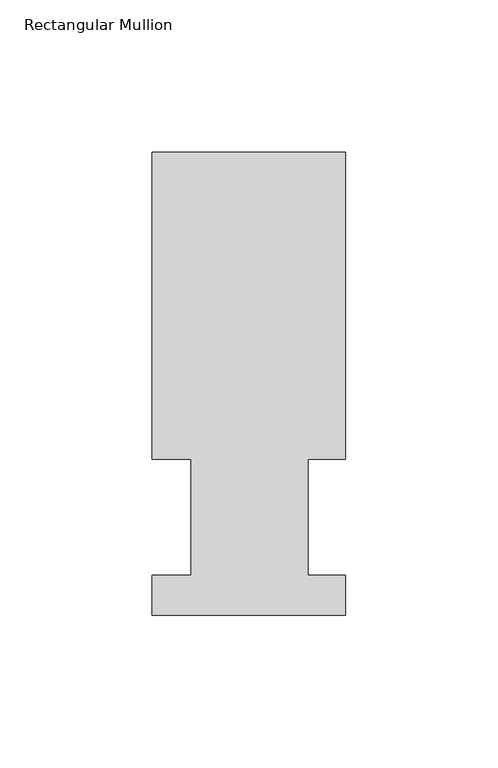
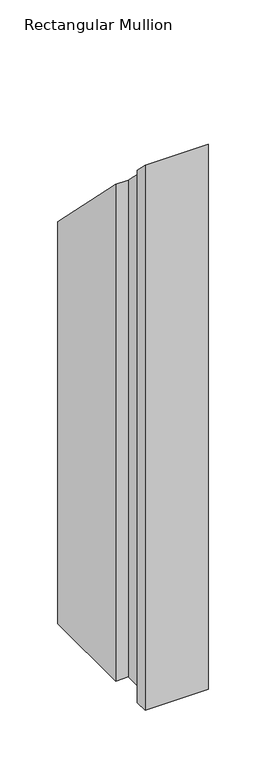
"""IFC4 building model written with IfcOpenShell, lengths in millimetres: member geometry, Rectangular Mullion."""

import ifcopenshell
import ifcopenshell.guid

model = None  # the IFC model being written
_history = None  # IfcOwnerHistory: only IFC2X3 demands one
_inside = {}  # id of a spatial element -> (the spatial element, [elements in it])
_under = {}  # id of a project, library or spatial element -> (it, [spatial elements below it])
_declared = {}  # id of a project -> (the project, [libraries it declares])
_typed = {}  # id of a type object -> (the type object, [elements of that type])
_made_of = {}  # id of a material, layer set ... -> (it, [elements and type objects made of it])


def new_model(schema):
    """Start an empty IFC model of exactly this schema.

    Asked for "IFC4X3", IfcOpenShell would pick the latest addendum, in which some entities
    have other attributes; the version numbers below select the first issue.
    IFC2X3 requires an IfcOwnerHistory on every rooted entity: one is made here for all.
    """
    global model, _history
    if schema == "IFC4X3":
        model = ifcopenshell.file(schema_version=(4, 3, 0, 0))
    else:
        model = ifcopenshell.file(schema=schema)
    _inside.clear()
    _under.clear()
    _declared.clear()
    _typed.clear()
    _made_of.clear()
    _history = None
    if model.schema == "IFC2X3":
        org = make("IfcOrganization", Name="unknown")
        user = make(
            "IfcPersonAndOrganization",
            ThePerson=make("IfcPerson", FamilyName="unknown"),
            TheOrganization=org,
        )
        app = make(
            "IfcApplication",
            ApplicationDeveloper=org,
            Version="unknown",
            ApplicationFullName="unknown",
            ApplicationIdentifier="unknown",
        )
        _history = make(
            "IfcOwnerHistory",
            OwningUser=user,
            OwningApplication=app,
            ChangeAction="ADDED",
            CreationDate=0,
        )
    return model


def make(cls, **values):
    """One entity of the class cls with the attributes given. An attribute that is None is left unset."""
    return model.create_entity(
        cls, **{name: value for name, value in values.items() if value is not None}
    )


def rooted(cls, **values):
    """An entity with a GlobalId (a new one), such as an element, a storey or a relation."""
    return make(cls, GlobalId=ifcopenshell.guid.new(), OwnerHistory=_history, **values)


def si_unit(unit_type, name, prefix=None):
    """IfcSIUnit, for example si_unit("LENGTHUNIT", "METRE", prefix="MILLI")."""
    return make("IfcSIUnit", UnitType=unit_type, Prefix=prefix, Name=name)


def assignment(units):
    """IfcUnitAssignment: the units of a project."""
    return None if units is None else make("IfcUnitAssignment", Units=units)


def point(xyz):
    """IfcCartesianPoint."""
    return None if xyz is None else make("IfcCartesianPoint", Coordinates=xyz)


def direction(xyz):
    """IfcDirection."""
    return None if xyz is None else make("IfcDirection", DirectionRatios=xyz)


def frame(location, z_axis=None, x_axis=None):
    """IfcAxis2Placement3D, a coordinate frame: its origin and axes. An axis left out is left unset."""
    return make(
        "IfcAxis2Placement3D",
        Location=point(location),
        Axis=direction(z_axis),
        RefDirection=direction(x_axis),
    )


def origin():
    """The frame at (0, 0, 0) with its axes left unset."""
    return frame((0.0, 0.0, 0.0))


def place(relative_to, where):
    """IfcLocalPlacement: puts the frame where relative to a parent placement (None: the world)."""
    return make(
        "IfcLocalPlacement", PlacementRelTo=relative_to, RelativePlacement=where
    )


def context(
    kind, dimensions, precision=None, world=None, true_north=None, identifier=None
):
    """IfcGeometricRepresentationContext, for example the 3D "Model" context."""
    return make(
        "IfcGeometricRepresentationContext",
        ContextIdentifier=identifier,
        ContextType=kind,
        CoordinateSpaceDimension=dimensions,
        Precision=precision,
        WorldCoordinateSystem=world,
        TrueNorth=true_north,
    )


def project(units=None, contexts=None):
    """IfcProject with its units and contexts."""
    return rooted(
        "IfcProject",
        Name="project",
        RepresentationContexts=contexts,
        UnitsInContext=assignment(units),
    )


def spatial(cls, under=None, at=None, **own):
    """A site, building, storey or space (cls), placed at a placement, below another one or the project."""
    s = rooted(cls, ObjectPlacement=at, **own)
    if under is not None:
        _under.setdefault(under.id(), (under, []))[1].append(s)
    return s


def faces_of(points, faces, orient=None, outer=None):
    """IfcFace entities. A face is a list of loops; a loop is a list of indices into points, from 0.

    orient and outer hold one flag for each loop. By default every Orientation is true, the
    first loop of a face is its IfcFaceOuterBound and the others are IfcFaceBound.
    """
    made = []
    for i, loops in enumerate(faces):
        bounds = []
        for j, loop in enumerate(loops):
            is_outer = j == 0 if outer is None else outer[i][j]
            bounds.append(
                make(
                    "IfcFaceOuterBound" if is_outer else "IfcFaceBound",
                    Bound=make("IfcPolyLoop", Polygon=[points[k] for k in loop]),
                    Orientation=True if orient is None else orient[i][j],
                )
            )
        made.append(make("IfcFace", Bounds=bounds))
    return made


def faceted_brep(points, faces, orient=None, outer=None, voids=None):
    """IfcFacetedBrep: a solid bounded by flat faces; with voids (closed shells), ...WithVoids."""
    shared = [point(p) for p in points]
    hull = make("IfcClosedShell", CfsFaces=faces_of(shared, faces, orient, outer))
    if voids is None:
        return make("IfcFacetedBrep", Outer=hull)
    return make(
        "IfcFacetedBrepWithVoids",
        Outer=hull,
        Voids=[
            make(cls, CfsFaces=faces_of(shared, fs, o, b)) for cls, fs, o, b in voids
        ],
    )


def shape(context_of_items, identifier, shape_type, items):
    """IfcShapeRepresentation: the items that make up one representation, for example the "Body"."""
    return make(
        "IfcShapeRepresentation",
        ContextOfItems=context_of_items,
        RepresentationIdentifier=identifier,
        RepresentationType=shape_type,
        Items=items,
    )


def source(mapping_origin, context_of_items, identifier, shape_type, items):
    """IfcRepresentationMap: a shape defined once, which mapped items show again and again."""
    return make(
        "IfcRepresentationMap",
        MappingOrigin=mapping_origin,
        MappedRepresentation=shape(context_of_items, identifier, shape_type, items),
    )


def transform(
    local_origin,
    x_axis=None,
    y_axis=None,
    z_axis=None,
    scale=None,
    scale2=None,
    scale3=None,
    uniform=True,
):
    """IfcCartesianTransformationOperator3D, or its non-uniform kind. x_axis, y_axis, z_axis: its Axis1, 2, 3."""
    if uniform:
        return make(
            "IfcCartesianTransformationOperator3D",
            Axis1=direction(x_axis),
            Axis2=direction(y_axis),
            LocalOrigin=point(local_origin),
            Scale=scale,
            Axis3=direction(z_axis),
        )
    return make(
        "IfcCartesianTransformationOperator3DnonUniform",
        Axis1=direction(x_axis),
        Axis2=direction(y_axis),
        LocalOrigin=point(local_origin),
        Scale=scale,
        Axis3=direction(z_axis),
        Scale2=scale2,
        Scale3=scale3,
    )


def mapped(mapping_source, mapping_target):
    """IfcMappedItem: shows the shape of a source again, moved by a transform."""
    return make(
        "IfcMappedItem", MappingSource=mapping_source, MappingTarget=mapping_target
    )


def made_of(thing, what):
    """Note that an element or type object is made of a material, layer set ...; save() writes the relation."""
    if what is not None:
        _made_of.setdefault(what.id(), (what, []))[1].append(thing)
    return thing


def element(
    cls,
    number,
    at=None,
    inside=None,
    cuts=None,
    type_object=None,
    material=None,
    context=None,
    identifier="Body",
    shape_type=None,
    held_by="IfcProductDefinitionShape",
    body=None,
    shapes=None,
    **own,
):
    """One element of the class cls, such as IfcWall. Its Tag is "e" and its number.

    at: its placement. inside: the storey or other place that contains it. cuts: it is an
    opening in that element (IfcRelVoidsElement). A single representation is given by context,
    identifier, shape_type and body (its items); several are given by shapes. held_by: the class
    of the entity that holds the representations. save() writes the other relations.
    """
    e = rooted(cls, Tag="e%d" % number, ObjectPlacement=at, **own)
    if body is not None:
        shapes = [shape(context, identifier, shape_type, body)]
    if shapes is not None:
        e.Representation = make(held_by, Representations=shapes)
    if inside is not None:
        _inside.setdefault(inside.id(), (inside, []))[1].append(e)
    if cuts is not None:
        rooted(
            "IfcRelVoidsElement", RelatingBuildingElement=cuts, RelatedOpeningElement=e
        )
    if type_object is not None:
        _typed.setdefault(type_object.id(), (type_object, []))[1].append(e)
    return made_of(e, material)


def aggregate(whole, parts):
    """IfcRelAggregates: a whole, such as a stair, and the parts it consists of."""
    return rooted("IfcRelAggregates", RelatingObject=whole, RelatedObjects=parts)


def save(model, path):
    """Write the relations noted so far, then the file.

    IfcRelAggregates (storeys below a building ...), IfcRelContainedInSpatialStructure (elements
    in a storey), IfcRelDefinesByType, IfcRelAssociatesMaterial and IfcRelDeclares: one each for
    every whole, place, type object, material and project.
    """
    for whole, parts in _under.values():
        aggregate(whole, parts)
    for where, things in _inside.values():
        rooted(
            "IfcRelContainedInSpatialStructure",
            RelatedElements=things,
            RelatingStructure=where,
        )
    for kind, things in _typed.values():
        rooted("IfcRelDefinesByType", RelatedObjects=things, RelatingType=kind)
    for what, things in _made_of.values():
        rooted("IfcRelAssociatesMaterial", RelatedObjects=things, RelatingMaterial=what)
    for by, libraries in _declared.values():
        rooted("IfcRelDeclares", RelatingContext=by, RelatedDefinitions=libraries)
    model.write(path)


def rectangular_mullion_e1956b38(model_context):
    return source(origin(), model_context, "Body", "Brep", [
        faceted_brep([(0.0, 151.9816937, -577.85), (0.0, 51.2960938, -577.85), (-12.3418395, 51.2960937, -577.85), (-12.3418395, 13.1960937, -577.85), (0.0, 13.1960937, -577.85), (0.0, 0.0134937, -577.85), (-63.5, 0.0134937, -577.85), (-63.5, 13.1960937, -577.85), (-50.8, 13.1960937, -577.85), (-50.8, 51.2960938, -577.85), (-63.5, 51.2960938, -577.85), (-63.5, 151.9816937, -577.85), (-63.5, 151.9816937, -151.9816937), (0.0, 151.9816937, -151.9816937), (-63.5, 51.2960938, -51.2960937), (-50.8, 51.2960938, -51.2960937), (-50.8, 13.1960937, -13.1960937), (-63.5, 13.1960937, -13.1960937), (-63.5, 0.0134937, -0.0134937), (0.0, 0.0134937, -0.0134937), (0.0, 13.1960937, -13.1960937), (-12.3418395, 13.1960937, -13.1960937), (-12.3418395, 51.2960937, -51.2960937), (0.0, 51.2960937, -51.2960937)], [[[0, 1, 2, 3, 4, 5, 6, 7, 8, 9, 10, 11]], [[12, 13, 0, 11]], [[14, 12, 11, 10]], [[15, 14, 10, 9]], [[16, 15, 9, 8]], [[17, 16, 8, 7]], [[18, 17, 7, 6]], [[19, 18, 6, 5]], [[20, 19, 5, 4]], [[21, 20, 4, 3]], [[22, 21, 3, 2]], [[23, 22, 2, 1]], [[13, 23, 1, 0]], [[13, 12, 14, 15, 16, 17, 18, 19, 20, 21, 22, 23]]]),
    ])


if __name__ == "__main__":
    model = new_model("IFC4")
    model_context = context("Model", 3, world=origin())
    ifc_project = project(units=[si_unit("LENGTHUNIT", "METRE", prefix="MILLI")], contexts=[model_context])
    site = spatial("IfcSite", under=ifc_project)
    building = spatial("IfcBuilding", under=site)
    placement = place(None, origin())
    rectangular_mullion_shape = rectangular_mullion_e1956b38(model_context)
    element("IfcMember", 1, ObjectType="Rectangular Mullion", at=placement, inside=building, context=model_context, shape_type="MappedRepresentation", body=[
        mapped(rectangular_mullion_shape, transform((0.0, 0.0, 0.0), x_axis=(1.0, 0.0, 0.0), y_axis=(0.0, 1.0, 0.0), z_axis=(0.0, 0.0, 1.0))),
    ])
    save(model, "model.ifc")
